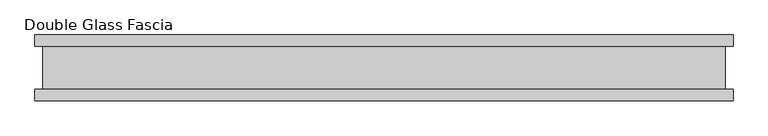
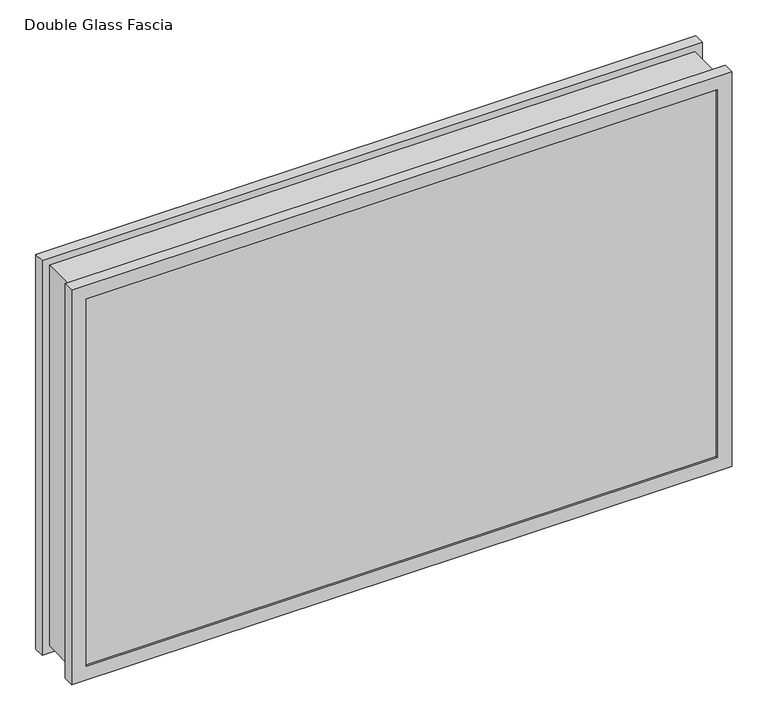
"""IFC4 building model written with IfcOpenShell, lengths in millimetres: proxy geometry, Double Glass Fascia."""

from ifc_helpers import new_model, si_unit, frame, origin, place, context, project, spatial, polyline, outline, extrude, faceted_brep, source, transform, mapped, element, save


def double_glass_fascia_57b21bbf(model_context):
    return source(origin(), model_context, "Body", "SolidModel", [
        faceted_brep([(519.6640848, -32.4352299, 663.575885), (519.6640848, -32.4352299, 15.0359151), (519.6640848, 32.4352299, 15.0359151), (519.6640848, 32.4352299, 663.575885), (-519.6640848, -32.4352299, 15.0359151), (-519.6640848, 32.4352299, 15.0359151), (-519.6640848, -32.4352299, 663.575885), (-519.6640848, 32.4352299, 663.575885), (508.4871999, 38.8962152, 652.3990001), (508.4871999, 38.8962152, 26.2128), (508.4871999, -38.8962152, 26.2128), (508.4871999, -38.8962152, 652.3990001), (525.2218392, 47.1322551, 669.1336393), (525.2218392, 47.1322551, 9.4781608), (525.2218392, 38.8962152, 9.4781608), (525.2218392, 38.8962152, 669.1336393), (508.3093999, 50.0558594, 652.2212001), (508.3093999, 50.0558594, 26.3906), (508.3093999, 47.1322551, 26.3906), (508.3093999, 47.1322551, 652.2212001), (531.5249999, 32.4352299, 675.4368001), (531.5249999, 32.4352299, 3.175), (531.5249999, 50.0558594, 3.175), (531.5249999, 50.0558594, 675.4368001), (-508.4871999, 38.8962152, 26.2128), (-508.4871999, -38.8962152, 26.2128), (-525.2218392, 47.1322551, 9.4781608), (-525.2218392, 38.8962152, 9.4781608), (-508.3093999, 50.0558594, 26.3906), (-508.3093999, 47.1322551, 26.3906), (-531.5249999, 32.4352299, 3.175), (-531.5249999, 50.0558594, 3.175), (-508.4871999, 38.8962152, 652.3990001), (-508.4871999, -38.8962152, 652.3990001), (-525.2218392, 47.1322551, 669.1336393), (-525.2218392, 38.8962152, 669.1336393), (-508.3093999, 50.0558594, 652.2212001), (-508.3093999, 47.1322551, 652.2212001), (-531.5249999, 32.4352299, 675.4368001), (-531.5249999, 50.0558594, 675.4368001), (531.5249999, -50.0558594, 675.4368001), (531.5249999, -50.0558594, 3.175), (531.5249999, -32.4352299, 3.175), (531.5249999, -32.4352299, 675.4368001), (508.4871999, -47.1322551, 652.3990001), (508.4871999, -47.1322551, 26.2128), (508.4871999, -50.0558594, 26.2128), (508.4871999, -50.0558594, 652.3990001), (525.2218392, -38.8962152, 669.1336393), (525.2218392, -38.8962152, 9.4781608), (525.2218392, -47.1322551, 9.4781608), (525.2218392, -47.1322551, 669.1336393), (-531.5249999, -50.0558594, 3.175), (-531.5249999, -32.4352299, 3.175), (-508.4871999, -47.1322551, 26.2128), (-508.4871999, -50.0558594, 26.2128), (-525.2218392, -38.8962152, 9.4781608), (-525.2218392, -47.1322551, 9.4781608), (-531.5249999, -50.0558594, 675.4368001), (-531.5249999, -32.4352299, 675.4368001), (-508.4871999, -47.1322551, 652.3990001), (-508.4871999, -50.0558594, 652.3990001), (-525.2218392, -38.8962152, 669.1336393), (-525.2218392, -47.1322551, 669.1336393)], [[[0, 1, 2, 3]], [[1, 4, 5, 2]], [[4, 6, 7, 5]], [[6, 0, 3, 7]], [[8, 9, 10, 11]], [[12, 13, 14, 15]], [[16, 17, 18, 19]], [[20, 21, 22, 23]], [[9, 24, 25, 10]], [[13, 26, 27, 14]], [[17, 28, 29, 18]], [[21, 30, 31, 22]], [[24, 32, 33, 25]], [[26, 34, 35, 27]], [[28, 36, 37, 29]], [[30, 38, 39, 31]], [[32, 8, 11, 33]], [[15, 14, 27, 35], [9, 8, 32, 24]], [[34, 12, 15, 35]], [[13, 12, 34, 26], [19, 18, 29, 37]], [[36, 16, 19, 37]], [[23, 22, 31, 39], [17, 16, 36, 28]], [[38, 20, 23, 39]], [[21, 20, 38, 30], [3, 2, 5, 7]], [[40, 41, 42, 43]], [[44, 45, 46, 47]], [[48, 49, 50, 51]], [[41, 52, 53, 42]], [[45, 54, 55, 46]], [[49, 56, 57, 50]], [[52, 58, 59, 53]], [[54, 60, 61, 55]], [[56, 62, 63, 57]], [[43, 42, 53, 59], [1, 0, 6, 4]], [[58, 40, 43, 59]], [[41, 40, 58, 52], [47, 46, 55, 61]], [[60, 44, 47, 61]], [[51, 50, 57, 63], [45, 44, 60, 54]], [[62, 48, 51, 63]], [[49, 48, 62, 56], [11, 10, 25, 33]]]),
        extrude(outline(polyline([(520.7, 40.9277344), (-520.7, 40.9277344), (-520.7, 46.8808594), (520.7, 46.8808594), (520.7, 40.9277344)])), frame((0.0, 0.0, 5.3275263), z_axis=(0.0, 0.0, 1.0), x_axis=(1.0, 0.0, 0.0)), (0.0, 0.0, 1.0), 667.4627281),
        extrude(outline(polyline([(520.7, -41.1791301), (520.7, -47.1322551), (-520.7, -47.1322551), (-520.7, -41.1791301), (520.7, -41.1791301)])), frame((0.0, 0.0, 5.3275263), z_axis=(0.0, 0.0, 1.0), x_axis=(1.0, 0.0, 0.0)), (0.0, 0.0, 1.0), 667.4627281),
    ])


if __name__ == "__main__":
    model = new_model("IFC4")
    model_context = context("Model", 3, world=origin())
    ifc_project = project(units=[si_unit("LENGTHUNIT", "METRE", prefix="MILLI")], contexts=[model_context])
    site = spatial("IfcSite", under=ifc_project)
    building = spatial("IfcBuilding", under=site)
    placement = place(None, origin())
    double_glass_fascia_shape = double_glass_fascia_57b21bbf(model_context)
    element("IfcBuildingElementProxy", 1, Name="Double Glass Fascia", ObjectType="Double Glass Fascia", at=placement, inside=building, context=model_context, shape_type="MappedRepresentation", body=[
        mapped(double_glass_fascia_shape, transform((0.0, 0.0, 0.0), x_axis=(1.0, 0.0, 0.0), y_axis=(0.0, 1.0, 0.0), z_axis=(0.0, 0.0, 1.0))),
    ])
    save(model, "model.ifc")
